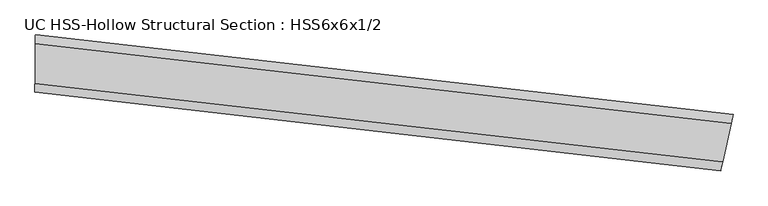
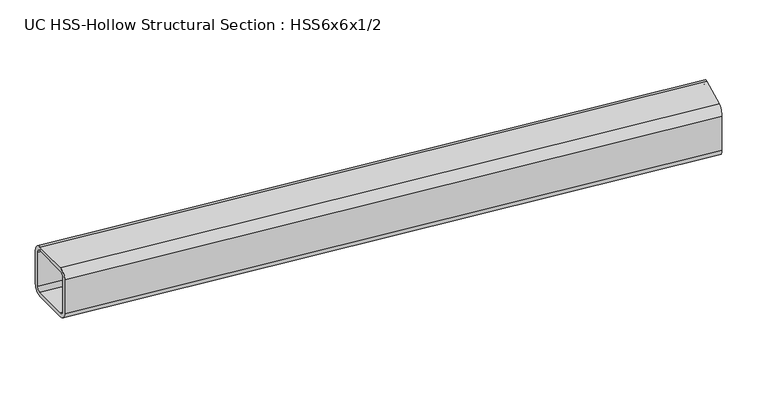
"""IFC4 building model written with IfcOpenShell, lengths in millimetres: beam geometry, UC HSS-Hollow Structural Section : HSS6x6x1/2."""

from ifc_helpers import new_model, si_unit, point, frame, origin, place, context, project, spatial, polyline, circle_curve, ellipse_curve, trimmed, source, transform, mapped, element, save
from ifc_brep_helpers import plane_surface, cylinder_surface, revolved_surface, advanced_brep


def uc_hss_hollow_structural_section_hss6x6x1_2_85b081fb(model_context):
    return source(origin(), model_context, "Body", "AdvancedBrep", [
        advanced_brep(
        [(1939.1861572, -136.2264813, 52.578), (1934.0722206, -159.2882795, 76.2), (1911.3069547, -261.950478, 76.2), (1906.1930181, -285.0122762, 52.578), (1906.1930181, -285.0122762, -52.578), (1911.3069547, -261.950478, -76.2), (1934.0722206, -159.2882795, -76.2), (1939.1861572, -136.2264813, -52.578), (1911.3069547, -261.950478, 64.389), (1934.0722206, -159.2882795, 64.389), (1936.6291889, -147.7573804, 52.578), (1936.6291889, -147.7573804, -52.578), (1934.0722206, -159.2882795, -64.389), (1911.3069547, -261.950478, -64.389), (1908.7499864, -273.4813771, -52.578), (1908.7499864, -273.4813771, 52.578), (92.0580667, 75.7269312, 52.578), (92.0580667, 75.7269312, -52.578), (91.8152952, 52.1061787, -76.2), (90.7345705, -53.0442676, -76.2), (90.491799, -76.6650201, -52.578), (90.491799, -76.6650201, 52.578), (90.7345705, -53.0442676, 76.2), (91.8152952, 52.1061787, 76.2), (90.7345705, -53.0442676, 64.389), (90.6131847, -64.8546439, 52.578), (90.6131847, -64.8546439, -52.578), (90.7345705, -53.0442676, -64.389), (91.8152952, 52.1061787, -64.389), (91.9366809, 63.9165549, -52.578), (91.9366809, 63.9165549, 52.578), (91.8152952, 52.1061787, 64.389)],
        [
            (0, 1, circle_curve(frame((1934.0722206, -159.2882795, 52.578), z_axis=(0.9762847436208798, -0.21649041404439373, 0.0), x_axis=(-0.21649041404439373, -0.9762847436208798, 0.0)), 23.622)),
            (1, 2),
            (2, 3, circle_curve(frame((1911.3069547, -261.950478, 52.578), z_axis=(0.9762847436208798, -0.2164904140443933, 0.0), x_axis=(-0.2164904140443933, -0.9762847436208798, 0.0)), 23.622)),
            (3, 4),
            (4, 5, circle_curve(frame((1911.3069547, -261.950478, -52.578), z_axis=(0.9762847436208798, -0.2164904140443933, 0.0), x_axis=(-0.2164904140443933, -0.9762847436208798, 0.0)), 23.622)),
            (5, 6),
            (6, 7, circle_curve(frame((1934.0722206, -159.2882795, -52.578), z_axis=(0.9762847436208798, -0.21649041404439373, 0.0), x_axis=(-0.21649041404439373, -0.9762847436208798, 0.0)), 23.622)),
            (7, 0),
            (8, 9),
            (9, 10, circle_curve(frame((1934.0722206, -159.2882795, 52.578), z_axis=(-0.9762847436208798, 0.21649041404439373, 0.0), x_axis=(-0.21649041404439373, -0.9762847436208798, 0.0)), 11.811)),
            (10, 11),
            (11, 12, circle_curve(frame((1934.0722206, -159.2882795, -52.578), z_axis=(-0.9762847436208798, 0.21649041404439373, 0.0), x_axis=(-0.21649041404439373, -0.9762847436208798, 0.0)), 11.811)),
            (12, 13),
            (13, 14, circle_curve(frame((1911.3069547, -261.950478, -52.578), z_axis=(-0.9762847436208798, 0.21649041404439373, 0.0), x_axis=(-0.21649041404439373, -0.9762847436208798, 0.0)), 11.811)),
            (14, 15),
            (15, 8, circle_curve(frame((1911.3069547, -261.950478, 52.578), z_axis=(-0.9762847436208798, 0.21649041404439373, 0.0), x_axis=(-0.21649041404439373, -0.9762847436208798, 0.0)), 11.811)),
            (16, 17),
            (17, 18, circle_curve(frame((91.8152952, 52.1061787, -52.578), z_axis=(-0.999947186675038, 0.010277346966847456, 0.0), x_axis=(-0.010277346966847456, -0.999947186675038, 0.0)), 23.622)),
            (18, 19),
            (19, 20, circle_curve(frame((90.7345705, -53.0442676, -52.578), z_axis=(-0.9999471866750379, 0.010277346966847067, 0.0), x_axis=(-0.010277346966847067, -0.9999471866750379, 0.0)), 23.622)),
            (20, 21),
            (21, 22, circle_curve(frame((90.7345705, -53.0442676, 52.578), z_axis=(-0.9999471866750379, 0.010277346966847067, 0.0), x_axis=(-0.010277346966847067, -0.9999471866750379, 0.0)), 23.622)),
            (22, 23),
            (23, 16, circle_curve(frame((91.8152952, 52.1061787, 52.578), z_axis=(-0.999947186675038, 0.010277346966847456, 0.0), x_axis=(-0.010277346966847456, -0.999947186675038, 0.0)), 23.622)),
            (24, 25, circle_curve(frame((90.7345705, -53.0442676, 52.578), z_axis=(0.999947186675038, -0.010277346966847456, 0.0), x_axis=(-0.010277346966847456, -0.999947186675038, 0.0)), 11.811)),
            (25, 26),
            (26, 27, circle_curve(frame((90.7345705, -53.0442676, -52.578), z_axis=(0.999947186675038, -0.010277346966847456, 0.0), x_axis=(-0.010277346966847456, -0.999947186675038, 0.0)), 11.811)),
            (27, 28),
            (28, 29, circle_curve(frame((91.8152952, 52.1061787, -52.578), z_axis=(0.999947186675038, -0.010277346966847456, 0.0), x_axis=(-0.010277346966847456, -0.999947186675038, 0.0)), 11.811)),
            (29, 30),
            (30, 31, circle_curve(frame((91.8152952, 52.1061787, 52.578), z_axis=(0.999947186675038, -0.010277346966847456, 0.0), x_axis=(-0.010277346966847456, -0.999947186675038, 0.0)), 11.811)),
            (31, 24),
            (0, 16, circle_curve(frame((0.0, -8881.176546, 52.578), z_axis=(0.0, 0.0, 1.0), x_axis=(-0.6913930968107146, -0.7224787787073679, 0.0)), 8957.376546)),
            (23, 1, circle_curve(frame((0.0, -8881.176546, 76.2), z_axis=(0.0, 0.0, -1.0), x_axis=(-0.6913930968107146, -0.7224787787073679, 0.0)), 8933.754546)),
            (22, 2, circle_curve(frame((0.0, -8881.176546, 76.2), z_axis=(0.0, 0.0, -1.0), x_axis=(-0.6913930968107146, -0.7224787787073679, 0.0)), 8828.598546)),
            (21, 3, circle_curve(frame((0.0, -8881.176546, 52.578), z_axis=(0.0, 0.0, -1.0), x_axis=(-0.6913930968107146, -0.7224787787073679, 0.0)), 8804.976546)),
            (20, 4, circle_curve(frame((0.0, -8881.176546, -52.578), z_axis=(0.0, 0.0, -1.0), x_axis=(-0.6913930968107146, -0.7224787787073679, 0.0)), 8804.976546)),
            (19, 5, circle_curve(frame((0.0, -8881.176546, -76.2), z_axis=(0.0, 0.0, -1.0), x_axis=(-0.6913930968107146, -0.7224787787073679, 0.0)), 8828.598546)),
            (18, 6, circle_curve(frame((0.0, -8881.176546, -76.2), z_axis=(0.0, 0.0, -1.0), x_axis=(-0.6913930968107146, -0.7224787787073679, 0.0)), 8933.754546)),
            (17, 7, circle_curve(frame((0.0, -8881.176546, -52.578), z_axis=(0.0, 0.0, -1.0), x_axis=(-0.6913930968107146, -0.7224787787073679, 0.0)), 8957.376546)),
            (8, 24, circle_curve(frame((0.0, -8881.176546, 64.389), z_axis=(0.0, 0.0, 1.0), x_axis=(-0.6913930968107146, -0.7224787787073679, 0.0)), 8828.598546)),
            (31, 9, circle_curve(frame((0.0, -8881.176546, 64.389), z_axis=(0.0, 0.0, -1.0), x_axis=(-0.6913930968107146, -0.7224787787073679, 0.0)), 8933.754546)),
            (30, 10, circle_curve(frame((0.0, -8881.176546, 52.578), z_axis=(0.0, 0.0, -1.0), x_axis=(-0.6913930968107146, -0.7224787787073679, 0.0)), 8945.565546)),
            (29, 11, circle_curve(frame((0.0, -8881.176546, -52.578), z_axis=(0.0, 0.0, -1.0), x_axis=(-0.6913930968107146, -0.7224787787073679, 0.0)), 8945.565546)),
            (28, 12, circle_curve(frame((0.0, -8881.176546, -64.389), z_axis=(0.0, 0.0, -1.0), x_axis=(-0.6913930968107146, -0.7224787787073679, 0.0)), 8933.754546)),
            (27, 13, circle_curve(frame((0.0, -8881.176546, -64.389), z_axis=(0.0, 0.0, -1.0), x_axis=(-0.6913930968107146, -0.7224787787073679, 0.0)), 8828.598546)),
            (26, 14, circle_curve(frame((0.0, -8881.176546, -52.578), z_axis=(0.0, 0.0, -1.0), x_axis=(-0.6913930968107146, -0.7224787787073679, 0.0)), 8816.787546)),
            (25, 15, circle_curve(frame((0.0, -8881.176546, 52.578), z_axis=(0.0, 0.0, -1.0), x_axis=(-0.6913930968107146, -0.7224787787073679, 0.0)), 8816.787546)),
        ],
        [
            plane_surface(frame((1922.6895876, -210.6193787, 0.0), z_axis=(0.9762847436208784, -0.21649041404440006, 0.0), x_axis=(0.0, 0.0, 1.0))),
            plane_surface(frame((91.2749328, -0.4690445, 0.0), z_axis=(-0.9999471866750378, 0.010277346966853895, 0.0), x_axis=(0.0, 0.0, 1.0))),
            revolved_surface(trimmed(ellipse_curve(frame((-6176.7362217, -15335.6246197, 52.578), z_axis=(0.722478778707373, -0.6913930968107093, 0.0), x_axis=(0.6913930968107093, 0.722478778707373, 0.0)), 23.622, 23.622), [point((-6176.7362217, -15335.6246197, 76.2))], [point((-6193.0683095, -15352.6910134, 52.578))], True, "CARTESIAN"), (0.0, -8881.176546, 0.0), (0.0, 0.0, -1.0)),
            plane_surface(frame((0.0, -8881.176546, 76.2), z_axis=(0.0, 0.0, 1.0), x_axis=(-0.6913930968107146, -0.7224787787073679, 0.0))),
            revolved_surface(trimmed(ellipse_curve(frame((-6104.0320892, -15259.6516412, 52.578), z_axis=(0.7224787787073733, -0.6913930968107089, 0.0), x_axis=(0.6913930968107089, 0.7224787787073733, 0.0)), 23.622, 23.622), [point((-6087.7000015, -15242.5852475, 52.578))], [point((-6104.0320892, -15259.6516412, 76.2))], True, "CARTESIAN"), (0.0, -8881.176546, 0.0), (0.0, 0.0, -1.0)),
            revolved_surface(polyline([(-6087.700001484649, -15242.585247501098, -52.578), (-6087.700001484649, -15242.585247501098, 52.578)]), (0.0, -8881.176546, 0.0), (0.0, 0.0, -1.0)),
            revolved_surface(trimmed(ellipse_curve(frame((-6104.0320892, -15259.6516412, -52.578), z_axis=(0.7224787787073733, -0.6913930968107089, 0.0), x_axis=(0.6913930968107089, 0.7224787787073733, 0.0)), 23.622, 23.622), [point((-6104.0320892, -15259.6516412, -76.2))], [point((-6087.7000015, -15242.5852475, -52.578))], True, "CARTESIAN"), (0.0, -8881.176546, 0.0), (0.0, 0.0, -1.0)),
            plane_surface(frame((0.0, -8881.176546, -76.2), z_axis=(0.0, 0.0, -1.0), x_axis=(-0.6913930968107146, -0.7224787787073679, 0.0))),
            revolved_surface(trimmed(ellipse_curve(frame((-6176.7362217, -15335.6246197, -52.578), z_axis=(0.722478778707373, -0.6913930968107093, 0.0), x_axis=(0.6913930968107093, 0.722478778707373, 0.0)), 23.622, 23.622), [point((-6193.0683095, -15352.6910134, -52.578))], [point((-6176.7362217, -15335.6246197, -76.2))], True, "CARTESIAN"), (0.0, -8881.176546, 0.0), (0.0, 0.0, -1.0)),
            cylinder_surface(frame((0.0, -8881.176546, 0.0), z_axis=(0.0, 0.0, -1.0), x_axis=(-0.6913930968107146, -0.7224787787073679, 0.0)), 8957.376546),
            plane_surface(frame((0.0, -8881.176546, 64.389), z_axis=(0.0, 0.0, -1.0), x_axis=(-0.6913930968107146, -0.7224787787073679, 0.0))),
            revolved_surface(trimmed(ellipse_curve(frame((-6176.7362217, -15335.6246197, 52.578), z_axis=(-0.722478778707373, 0.6913930968107093, 0.0), x_axis=(0.6913930968107093, 0.722478778707373, 0.0)), 11.811, 11.811), [point((-6184.9022656, -15344.1578166, 52.578))], [point((-6176.7362217, -15335.6246197, 64.389))], True, "CARTESIAN"), (0.0, -8881.176546, 0.0), (0.0, 0.0, -1.0)),
            revolved_surface(polyline([(-6184.902265572171, -15344.15781652079, -52.578), (-6184.902265572171, -15344.15781652079, 52.578)]), (0.0, -8881.176546, 0.0), (0.0, 0.0, -1.0)),
            revolved_surface(trimmed(ellipse_curve(frame((-6176.7362217, -15335.6246197, -52.578), z_axis=(-0.722478778707373, 0.6913930968107093, 0.0), x_axis=(0.6913930968107093, 0.722478778707373, 0.0)), 11.811, 11.811), [point((-6176.7362217, -15335.6246197, -64.389))], [point((-6184.9022656, -15344.1578166, -52.578))], True, "CARTESIAN"), (0.0, -8881.176546, 0.0), (0.0, 0.0, -1.0)),
            plane_surface(frame((0.0, -8881.176546, -64.389), z_axis=(0.0, 0.0, 1.0), x_axis=(-0.6913930968107146, -0.7224787787073679, 0.0))),
            revolved_surface(trimmed(ellipse_curve(frame((-6104.0320892, -15259.6516412, -52.578), z_axis=(-0.722478778707373, 0.6913930968107093, 0.0), x_axis=(0.6913930968107093, 0.722478778707373, 0.0)), 11.811, 11.811), [point((-6095.8660454, -15251.1184444, -52.578))], [point((-6104.0320892, -15259.6516412, -64.389))], True, "CARTESIAN"), (0.0, -8881.176546, 0.0), (0.0, 0.0, -1.0)),
            cylinder_surface(frame((0.0, -8881.176546, 0.0), z_axis=(0.0, 0.0, -1.0), x_axis=(-0.6913930968107146, -0.7224787787073679, 0.0)), 8816.787546),
            revolved_surface(trimmed(ellipse_curve(frame((-6104.0320892, -15259.6516412, 52.578), z_axis=(-0.722478778707373, 0.6913930968107093, 0.0), x_axis=(0.6913930968107093, 0.722478778707373, 0.0)), 11.811, 11.811), [point((-6104.0320892, -15259.6516412, 64.389))], [point((-6095.8660454, -15251.1184444, 52.578))], True, "CARTESIAN"), (0.0, -8881.176546, 0.0), (0.0, 0.0, -1.0)),
        ],
        [
            (0, [[1, 2, 3, 4, 5, 6, 7, 8], [9, 10, 11, 12, 13, 14, 15, 16]]),
            (1, [[17, 18, 19, 20, 21, 22, 23, 24], [25, 26, 27, 28, 29, 30, 31, 32]]),
            (2, [[-1, 33, -24, 34]]),
            (3, [[-2, -34, -23, 35]]),
            (4, [[-3, -35, -22, 36]]),
            (5, [[-4, -36, -21, 37]]),
            (6, [[-5, -37, -20, 38]]),
            (7, [[-6, -38, -19, 39]]),
            (8, [[-7, -39, -18, 40]]),
            (9, [[-8, -40, -17, -33]]),
            (10, [[-9, 41, -32, 42]]),
            (11, [[-10, -42, -31, 43]]),
            (12, [[-11, -43, -30, 44]]),
            (13, [[-12, -44, -29, 45]]),
            (14, [[-13, -45, -28, 46]]),
            (15, [[-14, -46, -27, 47]]),
            (16, [[-15, -47, -26, 48]]),
            (17, [[-16, -48, -25, -41]]),
        ],
    ),
    ])


if __name__ == "__main__":
    model = new_model("IFC4")
    model_context = context("Model", 3, world=origin())
    ifc_project = project(units=[si_unit("LENGTHUNIT", "METRE", prefix="MILLI")], contexts=[model_context])
    site = spatial("IfcSite", under=ifc_project)
    building = spatial("IfcBuilding", under=site)
    placement = place(None, origin())
    uc_hss_hollow_structural_section_hss6x6x1_2_shape = uc_hss_hollow_structural_section_hss6x6x1_2_85b081fb(model_context)
    element("IfcBeam", 1, ObjectType="UC HSS-Hollow Structural Section : HSS6x6x1/2", at=placement, inside=building, context=model_context, shape_type="MappedRepresentation", body=[
        mapped(uc_hss_hollow_structural_section_hss6x6x1_2_shape, transform((0.0, 0.0, 0.0), x_axis=(1.0, 0.0, 0.0), y_axis=(0.0, 1.0, 0.0), z_axis=(0.0, 0.0, 1.0))),
    ])
    save(model, "model.ifc")
